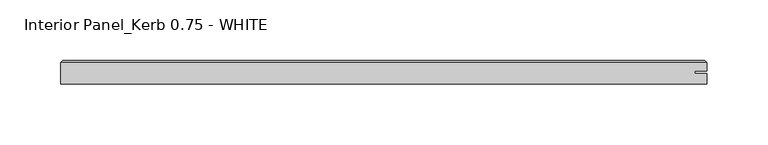
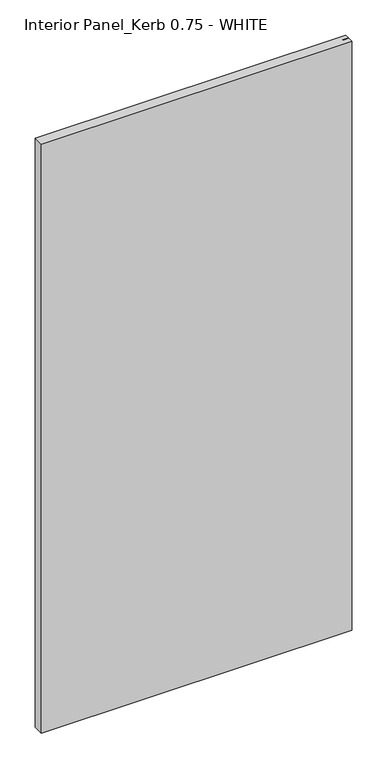
"""IFC4 building model written with IfcOpenShell, lengths in millimetres: proxy geometry, Interior Panel_Kerb 0.75 - WHITE."""

from ifc_helpers import new_model, si_unit, origin, place, context, project, spatial, faceted_brep, source, transform, mapped, element, save


def interior_panel_kerb_0_75_white_30dfcb91(model_context):
    return source(origin(), model_context, "Body", "Brep", [
        faceted_brep([(457.2, -3.175, 1063.625), (457.2, 5.2832, 1063.625), (447.3773437, 5.2832, 1063.625), (447.3773437, 7.4168, 1063.625), (457.2, 7.4168, 1063.625), (457.2, 14.2875, 1063.625), (-73.025, 14.2875, 1063.625), (-73.025, -3.175, 1063.625), (457.2, -3.175, 0.0), (-73.025, -3.175, 0.0), (-73.025, 14.2875, 0.0), (457.2, 14.2875, 0.0), (457.2, 7.4168, 0.0), (447.3773437, 7.4168, 0.0), (447.3773437, 5.2832, 0.0), (457.2, 5.2832, 0.0), (-71.4375, 15.875, 1062.0375), (455.6125, 15.875, 1062.0375), (455.6125, 15.875, 1.5875), (-71.4375, 15.875, 1.5875)], [[[0, 1, 2, 3, 4, 5, 6, 7]], [[8, 9, 10, 11, 12, 13, 14, 15]], [[7, 9, 8, 0]], [[6, 10, 9, 7]], [[16, 17, 18, 19]], [[4, 12, 11, 5]], [[6, 16, 19, 10]], [[11, 18, 17, 5]], [[5, 17, 16, 6]], [[10, 19, 18, 11]], [[3, 13, 12, 4]], [[2, 14, 13, 3]], [[1, 15, 14, 2]], [[0, 8, 15, 1]]]),
    ])


if __name__ == "__main__":
    model = new_model("IFC4")
    model_context = context("Model", 3, world=origin())
    ifc_project = project(units=[si_unit("LENGTHUNIT", "METRE", prefix="MILLI")], contexts=[model_context])
    site = spatial("IfcSite", under=ifc_project)
    building = spatial("IfcBuilding", under=site)
    placement = place(None, origin())
    interior_panel_kerb_0_75_white_shape = interior_panel_kerb_0_75_white_30dfcb91(model_context)
    element("IfcBuildingElementProxy", 1, Name="Interior Panel_Kerb 0.75 - WHITE", ObjectType="Interior Panel_Kerb 0.75 - WHITE", at=placement, inside=building, context=model_context, shape_type="MappedRepresentation", body=[
        mapped(interior_panel_kerb_0_75_white_shape, transform((0.0, 0.0, 0.0), x_axis=(1.0, 0.0, 0.0), y_axis=(0.0, 1.0, 0.0), z_axis=(0.0, 0.0, 1.0))),
    ])
    save(model, "model.ifc")
